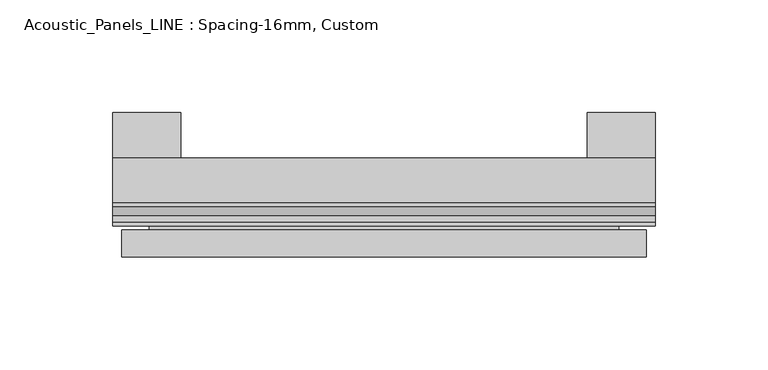
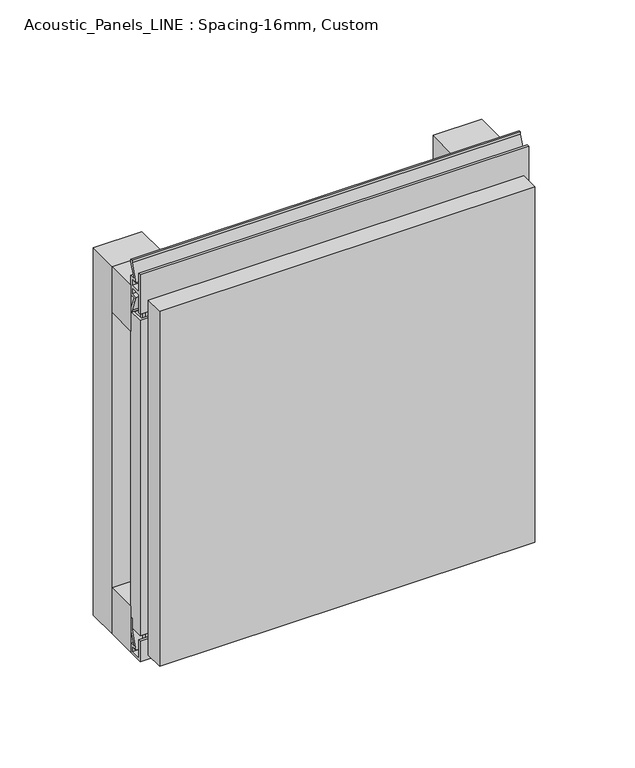
"""IFC4 building model written with IfcOpenShell, lengths in millimetres: plate geometry, Acoustic_Panels_LINE : Spacing-16mm, Custom."""

from ifc_helpers import new_model, si_unit, frame, origin, origin_with_axes, place, context, project, spatial, polyline, outline, extrude, faceted_brep, source, transform, mapped, element, save


def acoustic_panels_line_spacing_16mm_custom_50d77280(model_context):
    return source(origin(), model_context, "Body", "SolidModel", [
        extrude(outline(polyline([(-120.0, -40.0), (-120.0, -20.0), (120.0, -20.0), (120.0, -40.0), (-120.0, -40.0)])), frame((0.0, 0.0, 210.0), z_axis=(0.0, 0.0, 1.0), x_axis=(1.0, 0.0, 0.0)), (0.0, 0.0, 1.0), 30.0),
        extrude(outline(polyline([(-120.0, -40.0), (-120.0, -20.0), (120.0, -20.0), (120.0, -40.0), (-120.0, -40.0)])), origin_with_axes(), (0.0, 0.0, 1.0), 30.0),
        extrude(outline(polyline([(90.0, 0.0), (120.0, 0.0), (120.0, -20.0), (90.0, -20.0), (90.0, 0.0)])), origin_with_axes(), (0.0, 0.0, 1.0), 240.0),
        extrude(outline(polyline([(-90.0, 0.0), (-90.0, -20.0), (-120.0, -20.0), (-120.0, 0.0), (-90.0, 0.0)])), origin_with_axes(), (0.0, 0.0, 1.0), 240.0),
        extrude(outline(polyline([(-40.0, 6.299084), (-40.0, 0.0), (-50.1, 0.0), (-50.1, 13.4156807), (-48.7, 13.4156807), (-48.7, 1.4156807), (-41.4, 1.4156807), (-41.4, 4.899084), (-45.5140545, 4.899084), (-41.4553267, 15.5703394), (-41.4553267, 22.991548), (-40.0553267, 22.991548), (-40.0553267, 15.3558599), (-43.5, 6.299084), (-40.0, 6.299084)])), frame((-120.0, 0.0, 0.0), z_axis=(1.0, 0.0, 0.0), x_axis=(0.0, 1.0, 0.0)), (0.0, 0.0, 1.0), 240.0),
        extrude(outline(polyline([(-113.700916, -40.0), (-113.700916, -43.5), (-104.6441401, -40.0553267), (-97.008452, -40.0553267), (-97.008452, -41.4553267), (-104.4296606, -41.4553267), (-115.100916, -45.5140545), (-115.100916, -41.4), (-118.5843193, -41.4), (-118.5843193, -48.7), (-106.5843193, -48.7), (-106.5843193, -50.1), (-120.0, -50.1), (-120.0, -40.0), (-113.700916, -40.0)])), frame((0.0, 0.0, 16.9558599), z_axis=(0.0, 0.0, 1.0), x_axis=(1.0, 0.0, 0.0)), (0.0, 0.0, 1.0), 206.0882802),
        extrude(outline(polyline([(-48.7, 240.899084), (-41.4, 240.899084), (-41.4, 244.899084), (-45.5140545, 244.899084), (-41.4553267, 255.5703394), (-41.4553267, 256.9558599), (-40.0553267, 256.9558599), (-40.0553267, 255.3558599), (-43.5, 246.299084), (-40.0, 246.299084), (-40.0, 233.700916), (-43.5, 233.700916), (-40.0553267, 224.6441401), (-40.0553267, 223.0441401), (-41.4553267, 223.0441401), (-41.4553267, 224.4296606), (-45.5140545, 235.100916), (-41.4, 235.100916), (-41.4, 239.100916), (-48.7, 239.100916), (-48.7, 227.100916), (-50.1, 227.100916), (-50.1, 252.899084), (-48.7, 252.899084), (-48.7, 240.899084)])), frame((-120.0, 0.0, 0.0), z_axis=(1.0, 0.0, 0.0), x_axis=(0.0, 1.0, 0.0)), (0.0, 0.0, 1.0), 240.0),
        faceted_brep([(116.0, -45.9, 236.0), (-116.0, -45.9, 236.0), (-116.0, -48.7, 236.0), (116.0, -48.7, 236.0), (-116.0, -63.9, 236.0), (116.0, -63.9, 236.0), (116.0, -51.9, 236.0), (-116.0, -51.9, 236.0), (-116.0, -45.9, 4.0), (116.0, -45.9, 4.0), (116.0, -48.7, 4.0), (-116.0, -48.7, 4.0), (116.0, -63.9, 4.0), (-116.0, -63.9, 4.0), (-116.0, -51.9, 4.0), (116.0, -51.9, 4.0), (104.0, -51.9, 224.0), (104.0, -51.9, 16.0), (104.0, -48.7, 16.0), (104.0, -48.7, 224.0), (-104.0, -51.9, 16.0), (-104.0, -48.7, 16.0), (-104.0, -51.9, 224.0), (-104.0, -48.7, 224.0)], [[[0, 1, 2, 3]], [[4, 5, 6, 7]], [[8, 9, 10, 11]], [[12, 13, 14, 15]], [[1, 0, 9, 8]], [[1, 8, 11, 2]], [[13, 4, 7, 14]], [[5, 4, 13, 12]], [[9, 0, 3, 10]], [[5, 12, 15, 6]], [[16, 17, 18, 19]], [[18, 17, 20, 21]], [[21, 20, 22, 23]], [[16, 19, 23, 22]], [[7, 6, 15, 14], [17, 16, 22, 20]], [[3, 2, 11, 10], [19, 18, 21, 23]]]),
    ])


if __name__ == "__main__":
    model = new_model("IFC4")
    model_context = context("Model", 3, world=origin())
    ifc_project = project(units=[si_unit("LENGTHUNIT", "METRE", prefix="MILLI")], contexts=[model_context])
    site = spatial("IfcSite", under=ifc_project)
    building = spatial("IfcBuilding", under=site)
    placement = place(None, origin())
    acoustic_panels_line_spacing_16mm_custom_shape = acoustic_panels_line_spacing_16mm_custom_50d77280(model_context)
    element("IfcPlate", 1, ObjectType="Acoustic_Panels_LINE : Spacing-16mm, Custom", at=placement, inside=building, context=model_context, shape_type="MappedRepresentation", body=[
        mapped(acoustic_panels_line_spacing_16mm_custom_shape, transform((0.0, 0.0, 0.0), x_axis=(1.0, 0.0, 0.0), y_axis=(0.0, 1.0, 0.0), z_axis=(0.0, 0.0, 1.0))),
    ])
    save(model, "model.ifc")
